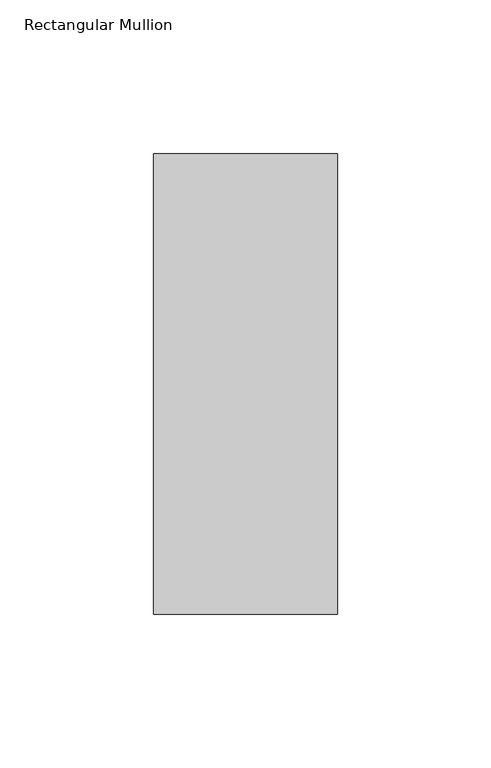
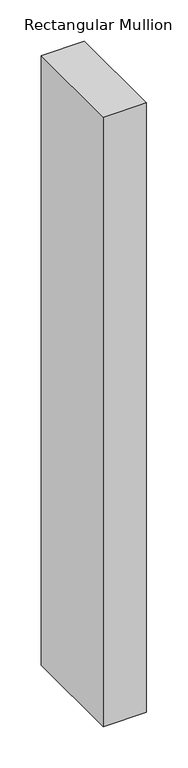
"""IFC4 building model written with IfcOpenShell, lengths in millimetres: member geometry, Rectangular Mullion."""

from ifc_helpers import new_model, si_unit, frame, origin, place, context, project, spatial, polyline, outline, extrude, source, transform, mapped, element, save


def rectangular_mullion_8996107e(model_context):
    return source(origin(), model_context, "Body", "SweptSolid", [
        extrude(outline(polyline([(0.0, 75.0), (0.0, -75.0), (-60.0, -75.0), (-60.0, 75.0), (0.0, 75.0)])), frame((0.0, 0.0, -900.0), z_axis=(0.0, 0.0, 1.0), x_axis=(1.0, 0.0, 0.0)), (0.0, 0.0, 1.0), 900.0),
    ])


if __name__ == "__main__":
    model = new_model("IFC4")
    model_context = context("Model", 3, world=origin())
    ifc_project = project(units=[si_unit("LENGTHUNIT", "METRE", prefix="MILLI")], contexts=[model_context])
    site = spatial("IfcSite", under=ifc_project)
    building = spatial("IfcBuilding", under=site)
    placement = place(None, origin())
    rectangular_mullion_shape = rectangular_mullion_8996107e(model_context)
    element("IfcMember", 1, ObjectType="Rectangular Mullion", at=placement, inside=building, context=model_context, shape_type="MappedRepresentation", body=[
        mapped(rectangular_mullion_shape, transform((0.0, 0.0, 0.0), x_axis=(1.0, 0.0, 0.0), y_axis=(0.0, 1.0, 0.0), z_axis=(0.0, 0.0, 1.0))),
    ])
    save(model, "model.ifc")
